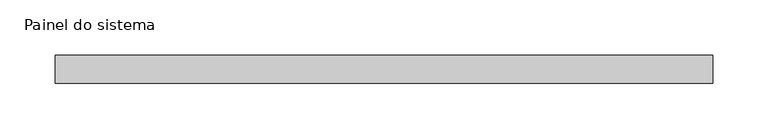
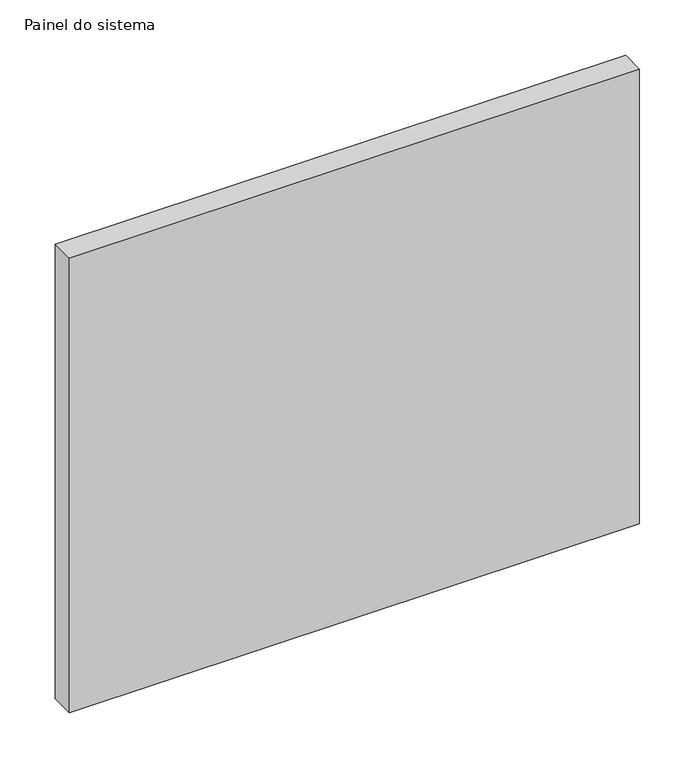
"""IFC4 building model written with IfcOpenShell, lengths in millimetres: plate geometry, Painel do sistema."""

from ifc_helpers import new_model, si_unit, origin, origin_with_axes, place, context, project, spatial, polyline, outline, extrude, source, transform, mapped, element, save


def painel_do_sistema_3851f2cf(model_context):
    return source(origin(), model_context, "Body", "SweptSolid", [
        extrude(outline(polyline([(296.6534715, 24.5), (-296.6534715, 24.5), (-296.6534715, 49.5), (296.6534715, 49.5), (296.6534715, 24.5)])), origin_with_axes(), (0.0, 0.0, 1.0), 500.0),
    ])


if __name__ == "__main__":
    model = new_model("IFC4")
    model_context = context("Model", 3, world=origin())
    ifc_project = project(units=[si_unit("LENGTHUNIT", "METRE", prefix="MILLI")], contexts=[model_context])
    site = spatial("IfcSite", under=ifc_project)
    building = spatial("IfcBuilding", under=site)
    placement = place(None, origin())
    painel_do_sistema_shape = painel_do_sistema_3851f2cf(model_context)
    element("IfcPlate", 1, ObjectType="Painel do sistema", at=placement, inside=building, context=model_context, shape_type="MappedRepresentation", body=[
        mapped(painel_do_sistema_shape, transform((0.0, 0.0, 0.0), x_axis=(1.0, 0.0, 0.0), y_axis=(0.0, 1.0, 0.0), z_axis=(0.0, 0.0, 1.0))),
    ])
    save(model, "model.ifc")
